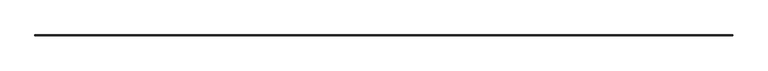
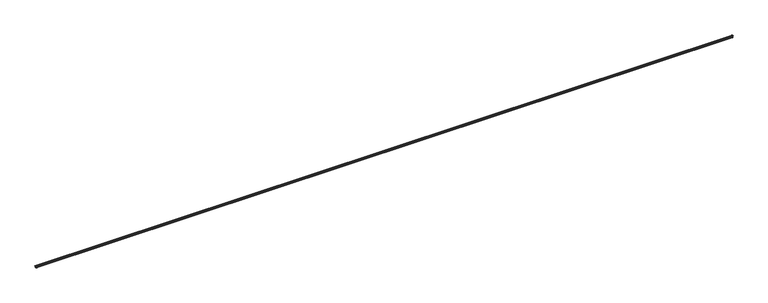
"""IFC4 building model written with IfcOpenShell, lengths in millimetres: railing geometry."""

from ifc_helpers import new_model, si_unit, frame, origin, place, context, project, spatial, polyline, circle_curve, ellipse_curve, source, transform, mapped, element, save
from ifc_brep_helpers import plane_surface, cylinder_surface, revolved_surface, advanced_brep


def railing_5c82f96b(model_context):
    return source(origin(), model_context, "Body", "AdvancedBrep", [
        advanced_brep(
        [(-23678.2517722, 72142.2584582, 685.5349128), (-23674.7019211, 72145.8083093, 685.5349128), (-42000.365335, 72145.8083093, 685.5349128), (-41996.815484, 72142.2584582, 685.5349128), (-23693.5336281, 72126.9766023, 710.1808702), (-23693.5336281, 72126.9766023, 711.1768476), (-41981.5336281, 72126.9766023, 711.1768476), (-41981.5336281, 72126.9766023, 710.1808702), (-23676.2603438, 72144.2498866, 670.2672725), (-41998.8069124, 72144.2498866, 670.2672725), (-23682.7265251, 72137.7837053, 654.1230643), (-23692.3914699, 72128.1187605, 654.1230643), (-41982.6757863, 72128.1187605, 654.1230643), (-41992.3407311, 72137.7837053, 654.1230643), (-23692.3914699, 72128.1187605, 655.1152518), (-41982.6757863, 72128.1187605, 655.1152518), (-23674.9748972, 72126.1828523, 708.5571916), (-23669.9443738, 72126.1828523, 701.3204656), (-23671.5568534, 72126.1828523, 700.888403), (-23672.9113269, 72126.1828523, 699.1232188), (-23672.9113269, 72126.1828523, 697.6085744), (-23679.2439597, 72126.1828523, 694.3480822), (-23679.2439597, 72126.1828523, 684.5427253), (-23676.7548142, 72126.1828523, 684.5427253), (-23677.1147743, 72126.1828523, 669.7627573), (-23682.8734847, 72126.1828523, 655.1152518), (-23692.3914699, 72126.1828523, 655.1152518), (-23692.3914699, 72126.1828523, 654.1230643), (-23682.7265251, 72126.1828523, 654.1230643), (-23676.2603438, 72126.1828523, 670.2672725), (-23674.7019211, 72126.1828523, 685.5349128), (-23678.2517722, 72126.1828523, 685.5349128), (-23678.2517722, 72126.1828523, 693.4458616), (-23671.9191394, 72126.1828523, 697.2774543), (-23671.9191394, 72126.1828523, 699.1232188), (-23671.3000564, 72126.1828523, 699.9300235), (-23669.16696, 72126.1828523, 700.5015849), (-23674.8884223, 72126.1828523, 709.5456035), (-23693.5336281, 72126.1828523, 711.1768476), (-23693.5336281, 72126.1828523, 710.1808702), (-42000.092359, 72126.1828523, 708.5571916), (-41981.5336281, 72126.1828523, 710.1808702), (-41981.5336281, 72126.1828523, 711.1768476), (-42000.1788338, 72126.1828523, 709.5456035), (-42005.9002961, 72126.1828523, 700.5015849), (-42003.7671998, 72126.1828523, 699.9300235), (-42003.1481168, 72126.1828523, 699.1232188), (-42003.1481168, 72126.1828523, 697.2774543), (-41996.815484, 72126.1828523, 693.4458616), (-41996.815484, 72126.1828523, 685.5349128), (-42000.365335, 72126.1828523, 685.5349128), (-41998.8069124, 72126.1828523, 670.2672725), (-41992.3407311, 72126.1828523, 654.1230643), (-41982.6757863, 72126.1828523, 654.1230643), (-41982.6757863, 72126.1828523, 655.1152518), (-41992.1937715, 72126.1828523, 655.1152518), (-41997.9524819, 72126.1828523, 669.7627573), (-41998.3124419, 72126.1828523, 684.5427253), (-41995.8232965, 72126.1828523, 684.5427253), (-41995.8232965, 72126.1828523, 694.3480822), (-42002.1559293, 72126.1828523, 697.6085744), (-42002.1559293, 72126.1828523, 699.1232188), (-42003.5104028, 72126.1828523, 700.888403), (-42005.1228823, 72126.1828523, 701.3204656), (-23669.9443738, 72150.5658565, 701.3204656), (-23674.9748972, 72145.5353332, 708.5571916), (-42000.092359, 72145.5353332, 708.5571916), (-42005.1228823, 72150.5658565, 701.3204656), (-23671.5568534, 72148.953377, 700.888403), (-42003.5104028, 72148.953377, 700.888403), (-23672.9113269, 72147.5989035, 699.1232188), (-42002.1559293, 72147.5989035, 699.1232188), (-23672.9113269, 72147.5989035, 697.6085744), (-42002.1559293, 72147.5989035, 697.6085744), (-23679.2439597, 72141.2662707, 694.3480822), (-41995.8232965, 72141.2662707, 694.3480822), (-23679.2439597, 72141.2662707, 684.5427253), (-41995.8232965, 72141.2662707, 684.5427253), (-23676.7548142, 72143.7554162, 684.5427253), (-41998.3124419, 72143.7554162, 684.5427253), (-23677.1147743, 72143.3954561, 669.7627573), (-41997.9524819, 72143.3954561, 669.7627573), (-23682.8734847, 72137.6367457, 655.1152518), (-41992.1937715, 72137.6367457, 655.1152518), (-23674.8884223, 72145.6218081, 709.5456035), (-42000.1788338, 72145.6218081, 709.5456035), (-23669.16696, 72151.3432704, 700.5015849), (-42005.9002961, 72151.3432704, 700.5015849), (-23671.3000564, 72149.210174, 699.9300235), (-42003.7671998, 72149.210174, 699.9300235), (-23671.9191394, 72148.591091, 699.1232188), (-42003.1481168, 72148.591091, 699.1232188), (-23671.9191394, 72148.591091, 697.2774543), (-42003.1481168, 72148.591091, 697.2774543), (-23678.2517722, 72142.2584582, 693.4458616), (-41996.815484, 72142.2584582, 693.4458616)],
        [
            (0, 1),
            (1, 2),
            (2, 3),
            (3, 0),
            (4, 5),
            (5, 6),
            (6, 7),
            (7, 4),
            (1, 8, ellipse_curve(frame((-23665.3966645, 72155.1135659, 676.8717349), z_axis=(0.7071067811865461, -0.7071067811865488, 0.0), x_axis=(-0.7071067811865489, -0.707106781186546, 0.0)), 17.9799028, 12.7137112)),
            (8, 9),
            (9, 2, ellipse_curve(frame((-42009.6705916, 72155.1135659, 676.8717349), z_axis=(-0.7071067811865488, -0.7071067811865461, 0.0), x_axis=(-0.7071067811865462, 0.7071067811865487, 0.0)), 17.9799028, 12.7137112)),
            (10, 11),
            (11, 12),
            (12, 13),
            (13, 10),
            (11, 14),
            (14, 15),
            (15, 12),
            (8, 10, ellipse_curve(frame((-23685.8658565, 72134.6443739, 664.7474915), z_axis=(-0.7071067811865461, 0.7071067811865488, 0.0), x_axis=(0.7071067811865489, 0.707106781186546, 0.0)), 15.6674092, 11.0785313)),
            (13, 9, ellipse_curve(frame((-41989.2013997, 72134.6443739, 664.7474915), z_axis=(0.7071067811865488, 0.7071067811865461, 0.0), x_axis=(0.7071067811865462, -0.7071067811865487, 0.0)), 15.6674092, 11.0785313)),
            (16, 17, circle_curve(frame((-23675.4748375, 72126.1828523, 702.842847), z_axis=(0.0, 1.0, 0.0), x_axis=(0.08715574274768606, 0.0, 0.9961946980917431)), 5.7361724)),
            (17, 18),
            (18, 19, circle_curve(frame((-23671.0838737, 72126.1828523, 699.1232188), z_axis=(0.0, -1.0, 0.0), x_axis=(-0.2588190451028625, 0.0, 0.9659258262889768)), 1.8274532)),
            (19, 20),
            (20, 21, circle_curve(frame((-23679.6119884, 72126.1828523, 702.842847), z_axis=(0.0, 1.0, 0.0), x_axis=(0.7880597014924041, 0.0, -0.6155988197549626)), 8.5027334)),
            (21, 22),
            (22, 23),
            (23, 24, circle_curve(frame((-23665.3966645, 72126.1828523, 676.8717349), z_axis=(0.0, -1.0, 0.0), x_axis=(-0.8287052149767611, 0.0, 0.5596853282607294)), 13.7058987)),
            (24, 25, circle_curve(frame((-23685.8658565, 72126.1828523, 664.7474915), z_axis=(0.0, 1.0, 0.0), x_axis=(0.8676168883013119, 0.0, 0.49723328039698717)), 10.0863438)),
            (25, 26),
            (26, 27),
            (27, 28),
            (28, 29, circle_curve(frame((-23685.8658565, 72126.1828523, 664.7474915), z_axis=(0.0, -1.0, 0.0), x_axis=(0.8676168883013119, 0.0, 0.49723328039698717)), 11.0785313)),
            (29, 30, circle_curve(frame((-23665.3966645, 72126.1828523, 676.8717349), z_axis=(0.0, 1.0, 0.0), x_axis=(-0.8287052149767611, 0.0, 0.5596853282607294)), 12.7137112)),
            (30, 31),
            (31, 32),
            (32, 33, circle_curve(frame((-23679.6119884, 72126.1828523, 702.842847), z_axis=(0.0, -1.0, 0.0), x_axis=(0.7880597014924041, 0.0, -0.6155988197549626)), 9.4949209)),
            (33, 34),
            (34, 35, circle_curve(frame((-23671.0838737, 72126.1828523, 699.1232188), z_axis=(0.0, 1.0, 0.0), x_axis=(-0.2588190451028625, 0.0, 0.9659258262889768)), 0.8352657)),
            (35, 36),
            (36, 37, circle_curve(frame((-23675.4748375, 72126.1828523, 702.842847), z_axis=(0.0, -1.0, 0.0), x_axis=(0.08715574274768606, 0.0, 0.9961946980917431)), 6.7283599)),
            (37, 38),
            (38, 39),
            (39, 16),
            (40, 41),
            (41, 42),
            (42, 43),
            (43, 44, circle_curve(frame((-41999.5924186, 72126.1828523, 702.842847), z_axis=(0.0, -1.0, 0.0), x_axis=(-0.08715574274768606, 0.0, 0.9961946980917431)), 6.7283599)),
            (44, 45),
            (45, 46, circle_curve(frame((-42003.9833825, 72126.1828523, 699.1232188), z_axis=(0.0, 1.0, 0.0), x_axis=(0.2588190451028625, 0.0, 0.9659258262889768)), 0.8352657)),
            (46, 47),
            (47, 48, circle_curve(frame((-41995.4552677, 72126.1828523, 702.842847), z_axis=(0.0, -1.0, 0.0), x_axis=(-0.7880597014924041, 0.0, -0.6155988197549626)), 9.4949209)),
            (48, 49),
            (49, 50),
            (50, 51, circle_curve(frame((-42009.6705916, 72126.1828523, 676.8717349), z_axis=(0.0, 1.0, 0.0), x_axis=(0.8287052149767611, 0.0, 0.5596853282607294)), 12.7137112)),
            (51, 52, circle_curve(frame((-41989.2013997, 72126.1828523, 664.7474915), z_axis=(0.0, -1.0, 0.0), x_axis=(-0.8676168883013119, 0.0, 0.49723328039698717)), 11.0785313)),
            (52, 53),
            (53, 54),
            (54, 55),
            (55, 56, circle_curve(frame((-41989.2013997, 72126.1828523, 664.7474915), z_axis=(0.0, 1.0, 0.0), x_axis=(-0.8676168883013119, 0.0, 0.49723328039698717)), 10.0863438)),
            (56, 57, circle_curve(frame((-42009.6705916, 72126.1828523, 676.8717349), z_axis=(0.0, -1.0, 0.0), x_axis=(0.8287052149767611, 0.0, 0.5596853282607294)), 13.7058987)),
            (57, 58),
            (58, 59),
            (59, 60, circle_curve(frame((-41995.4552677, 72126.1828523, 702.842847), z_axis=(0.0, 1.0, 0.0), x_axis=(-0.7880597014924041, 0.0, -0.6155988197549626)), 8.5027334)),
            (60, 61),
            (61, 62, circle_curve(frame((-42003.9833825, 72126.1828523, 699.1232188), z_axis=(0.0, -1.0, 0.0), x_axis=(0.2588190451028625, 0.0, 0.9659258262889768)), 1.8274532)),
            (62, 63),
            (63, 40, circle_curve(frame((-41999.5924186, 72126.1828523, 702.842847), z_axis=(0.0, 1.0, 0.0), x_axis=(-0.08715574274768606, 0.0, 0.9961946980917431)), 5.7361724)),
            (64, 65, ellipse_curve(frame((-23675.4748375, 72145.0353929, 702.842847), z_axis=(0.7071067811865461, -0.7071067811865488, 0.0), x_axis=(-0.7071067811865489, -0.707106781186546, 0.0)), 8.1121728, 5.7361724)),
            (65, 66),
            (66, 67, ellipse_curve(frame((-41999.5924186, 72145.0353929, 702.842847), z_axis=(-0.7071067811865488, -0.7071067811865461, 0.0), x_axis=(-0.7071067811865462, 0.7071067811865487, 0.0)), 8.1121728, 5.7361724)),
            (67, 64),
            (68, 64),
            (67, 69),
            (69, 68),
            (70, 68, ellipse_curve(frame((-23671.0838737, 72149.4263567, 699.1232188), z_axis=(-0.7071067811865461, 0.7071067811865488, 0.0), x_axis=(0.7071067811865489, 0.707106781186546, 0.0)), 2.584409, 1.8274532)),
            (69, 71, ellipse_curve(frame((-42003.9833825, 72149.4263567, 699.1232188), z_axis=(0.7071067811865488, 0.7071067811865461, 0.0), x_axis=(0.7071067811865462, -0.7071067811865487, 0.0)), 2.584409, 1.8274532)),
            (71, 70),
            (72, 70),
            (71, 73),
            (73, 72),
            (74, 72, ellipse_curve(frame((-23679.6119884, 72140.898242, 702.842847), z_axis=(0.7071067811865461, -0.7071067811865488, 0.0), x_axis=(-0.7071067811865489, -0.707106781186546, 0.0)), 12.0246809, 8.5027334)),
            (73, 75, ellipse_curve(frame((-41995.4552677, 72140.898242, 702.842847), z_axis=(-0.7071067811865488, -0.7071067811865461, 0.0), x_axis=(-0.7071067811865462, 0.7071067811865487, 0.0)), 12.0246809, 8.5027334)),
            (75, 74),
            (76, 74),
            (75, 77),
            (77, 76),
            (78, 76),
            (77, 79),
            (79, 78),
            (80, 78, ellipse_curve(frame((-23665.3966645, 72155.1135659, 676.8717349), z_axis=(-0.7071067811865461, 0.7071067811865488, 0.0), x_axis=(0.7071067811865489, 0.707106781186546, 0.0)), 19.3830678, 13.7058987)),
            (79, 81, ellipse_curve(frame((-42009.6705916, 72155.1135659, 676.8717349), z_axis=(0.7071067811865488, 0.7071067811865461, 0.0), x_axis=(0.7071067811865462, -0.7071067811865487, 0.0)), 19.3830678, 13.7058987)),
            (81, 80),
            (82, 80, ellipse_curve(frame((-23685.8658565, 72134.6443739, 664.7474915), z_axis=(0.7071067811865461, -0.7071067811865488, 0.0), x_axis=(-0.7071067811865489, -0.707106781186546, 0.0)), 14.2642442, 10.0863438)),
            (81, 83, ellipse_curve(frame((-41989.2013997, 72134.6443739, 664.7474915), z_axis=(-0.7071067811865488, -0.7071067811865461, 0.0), x_axis=(-0.7071067811865462, 0.7071067811865487, 0.0)), 14.2642442, 10.0863438)),
            (83, 82),
            (14, 82),
            (83, 15),
            (5, 84),
            (84, 85),
            (85, 6),
            (84, 86, ellipse_curve(frame((-23675.4748375, 72145.0353929, 702.842847), z_axis=(-0.7071067811865461, 0.7071067811865488, 0.0), x_axis=(0.7071067811865489, 0.707106781186546, 0.0)), 9.5153378, 6.7283599)),
            (86, 87),
            (87, 85, ellipse_curve(frame((-41999.5924186, 72145.0353929, 702.842847), z_axis=(0.7071067811865488, 0.7071067811865461, 0.0), x_axis=(0.7071067811865462, -0.7071067811865487, 0.0)), 9.5153378, 6.7283599)),
            (86, 88),
            (88, 89),
            (89, 87),
            (88, 90, ellipse_curve(frame((-23671.0838737, 72149.4263567, 699.1232188), z_axis=(0.7071067811865461, -0.7071067811865488, 0.0), x_axis=(-0.7071067811865489, -0.707106781186546, 0.0)), 1.181244, 0.8352657)),
            (90, 91),
            (91, 89, ellipse_curve(frame((-42003.9833825, 72149.4263567, 699.1232188), z_axis=(-0.7071067811865488, -0.7071067811865461, 0.0), x_axis=(-0.7071067811865462, 0.7071067811865487, 0.0)), 1.181244, 0.8352657)),
            (90, 92),
            (92, 93),
            (93, 91),
            (92, 94, ellipse_curve(frame((-23679.6119884, 72140.898242, 702.842847), z_axis=(-0.7071067811865461, 0.7071067811865488, 0.0), x_axis=(0.7071067811865489, 0.707106781186546, 0.0)), 13.427846, 9.4949209)),
            (94, 95),
            (95, 93, ellipse_curve(frame((-41995.4552677, 72140.898242, 702.842847), z_axis=(0.7071067811865488, 0.7071067811865461, 0.0), x_axis=(0.7071067811865462, -0.7071067811865487, 0.0)), 13.427846, 9.4949209)),
            (94, 0),
            (3, 95),
            (65, 4),
            (7, 66),
            (39, 4),
            (65, 16),
            (25, 82),
            (14, 26),
            (24, 80),
            (23, 78),
            (22, 76),
            (21, 74),
            (20, 72),
            (19, 70),
            (18, 68),
            (17, 64),
            (7, 41),
            (40, 66),
            (83, 55),
            (54, 15),
            (81, 56),
            (79, 57),
            (77, 58),
            (75, 59),
            (73, 60),
            (71, 61),
            (69, 62),
            (67, 63),
            (35, 88),
            (86, 36),
            (84, 37),
            (5, 38),
            (34, 90),
            (89, 45),
            (44, 87),
            (43, 85),
            (42, 6),
            (91, 46),
            (29, 8),
            (1, 30),
            (0, 31),
            (94, 32),
            (92, 33),
            (28, 10),
            (9, 51),
            (50, 2),
            (49, 3),
            (48, 95),
            (47, 93),
            (13, 52),
            (27, 11),
            (12, 53),
        ],
        [
            plane_surface(frame((-23674.7019211, 72145.8083093, 685.5349128), z_axis=(0.0, 0.0, 1.0), x_axis=(-1.0, 0.0, 0.0))),
            plane_surface(frame((-23693.5336281, 72126.9766023, 711.1768476), z_axis=(0.0, -1.0, 0.0), x_axis=(-1.0, 0.0, 0.0))),
            revolved_surface(polyline([(-42022.38430279496, 72144.57764712685, 683.9874125263841), (-23652.682953305044, 72144.57764712685, 683.9874125263841)]), (-23693.5336281, 72155.1135659, 676.8717349), (-1.0000000000000002, 0.0, 0.0)),
            plane_surface(frame((-23692.3914699, 72128.1187605, 654.1230643), z_axis=(0.0, 0.0, -1.0), x_axis=(-1.0, 0.0, 0.0))),
            plane_surface(frame((-23692.3914699, 72128.1187605, 655.1152518), z_axis=(0.0, -1.0, 0.0), x_axis=(-1.0, 0.0, 0.0))),
            cylinder_surface(frame((-23693.5336281, 72134.6443739, 664.7474915), z_axis=(1.0, 0.0, 0.0), x_axis=(0.0, 0.8676168883013119, 0.49723328039698717)), 11.0785313),
            plane_surface(frame((-23693.5336281, 72126.1828523, 711.2), z_axis=(0.0, -1.0, 0.0), x_axis=(0.0, 0.0, 1.0))),
            plane_surface(frame((-41981.5336281, 72126.1828523, 711.2), z_axis=(0.0, -1.0, 0.0), x_axis=(0.0, 0.0, -1.0))),
            revolved_surface(polyline([(-42005.32859099703, 72145.53533326605, 708.5571915322201), (-23669.738665102966, 72145.53533326605, 708.5571915322201)]), (-23693.5336281, 72145.0353929, 702.842847), (-1.0, 0.0, 0.0)),
            plane_surface(frame((-23669.9443738, 72150.5658565, 701.3204656), z_axis=(0.0, -0.25881904510280146, 0.965925826288993), x_axis=(-1.0, 0.0, 0.0))),
            cylinder_surface(frame((-23693.5336281, 72149.4263567, 699.1232188), z_axis=(1.0000000000000002, 0.0, 0.0), x_axis=(0.0, -0.2588190451028625, 0.9659258262889768)), 1.8274532),
            plane_surface(frame((-23672.9113269, 72147.5989035, 699.1232188), z_axis=(0.0, -1.0, 0.0), x_axis=(-1.0, 0.0, 0.0))),
            revolved_surface(polyline([(-42003.958001106, 72147.59890354506, 697.6085743542689), (-23671.109254994004, 72147.59890354506, 697.6085743542689)]), (-23693.5336281, 72140.898242, 702.842847), (-1.0, 0.0, 0.0)),
            plane_surface(frame((-23679.2439597, 72141.2662707, 694.3480822), z_axis=(0.0, -1.0, 0.0), x_axis=(-1.0, 0.0, 0.0))),
            plane_surface(frame((-23679.2439597, 72141.2662707, 684.5427253), z_axis=(0.0, 0.0, -1.0), x_axis=(-1.0, 0.0, 0.0))),
            cylinder_surface(frame((-23693.5336281, 72155.1135659, 676.8717349), z_axis=(1.0000000000000002, 0.0, 0.0), x_axis=(0.0, -0.8287052149767611, 0.5596853282607294)), 13.7058987),
            revolved_surface(polyline([(-41999.287743502326, 72143.39545612209, 669.7627573148858), (-23675.779512697678, 72143.39545612209, 669.7627573148858)]), (-23693.5336281, 72134.6443739, 664.7474915), (-1.0, 0.0, 0.0)),
            plane_surface(frame((-23682.8734847, 72137.6367457, 655.1152518), z_axis=(0.0, 0.0, 1.0), x_axis=(-1.0, 0.0, 0.0))),
            plane_surface(frame((-23674.8884223, 72145.6218081, 709.5456035), z_axis=(0.0, 0.08715574274767642, 0.996194698091744), x_axis=(-1.0, 0.0, 0.0))),
            cylinder_surface(frame((-23693.5336281, 72145.0353929, 702.842847), z_axis=(1.0, 0.0, 0.0), x_axis=(0.0, 0.08715574274768606, 0.9961946980917431)), 6.7283599),
            plane_surface(frame((-23671.3000564, 72149.210174, 699.9300235), z_axis=(0.0, 0.25881904510280174, -0.965925826288993), x_axis=(-1.0, 0.0, 0.0))),
            revolved_surface(polyline([(-42004.818648142646, 72149.21017402913, 699.9300235114433), (-23670.248608057365, 72149.21017402913, 699.9300235114433)]), (-23693.5336281, 72149.4263567, 699.1232188), (-1.0000000000000002, 0.0, 0.0)),
            plane_surface(frame((-23671.9191394, 72148.591091, 697.2774543), z_axis=(0.0, 1.0, 0.0), x_axis=(-1.0, 0.0, 0.0))),
            cylinder_surface(frame((-23693.5336281, 72140.898242, 702.842847), z_axis=(1.0, 0.0, 0.0), x_axis=(0.0, 0.7880597014924041, -0.6155988197549626)), 9.4949209),
            plane_surface(frame((-23678.2517722, 72142.2584582, 685.5349128), z_axis=(0.0, 1.0, 0.0), x_axis=(-1.0, 0.0, 0.0))),
            plane_surface(frame((-23693.5336281, 72126.9766023, 710.1808702), z_axis=(0.0, -0.0871557427476764, -0.996194698091744), x_axis=(-1.0, 0.0, 0.0))),
            plane_surface(frame((-23693.5336281, 72126.1828523, 710.1808702), z_axis=(-0.0871557427476764, 0.0, -0.996194698091744), x_axis=(0.0, 1.0, 0.0))),
            plane_surface(frame((-23682.8734847, 72126.1828523, 655.1152518), z_axis=(0.0, 0.0, 1.0), x_axis=(0.0, 1.0, 0.0))),
            revolved_surface(polyline([(-23677.114774277907, 72144.73071770232, 669.7627573148858), (-23677.114774277907, 72124.55803009767, 669.7627573148858)]), (-23685.8658565, 72126.1828523, 664.7474915), (0.0, 1.0, 0.0)),
            cylinder_surface(frame((-23665.3966645, 72126.1828523, 676.8717349), z_axis=(0.0, -1.0000000000000002, 0.0), x_axis=(-0.8287052149767611, 0.0, 0.5596853282607294)), 13.7058987),
            plane_surface(frame((-23679.2439597, 72126.1828523, 684.5427253), z_axis=(0.0, 0.0, -1.0), x_axis=(0.0, 1.0, 0.0))),
            plane_surface(frame((-23679.2439597, 72126.1828523, 694.3480822), z_axis=(-1.0, 0.0, 0.0), x_axis=(0.0, 1.0, 0.0))),
            revolved_surface(polyline([(-23672.911326854926, 72149.400975406, 697.6085743542689), (-23672.911326854926, 72126.1828523, 697.6085743542689)]), (-23679.6119884, 72126.1828523, 702.842847), (0.0, 1.0, 0.0)),
            plane_surface(frame((-23672.9113269, 72126.1828523, 699.1232188), z_axis=(-1.0, 0.0, 0.0), x_axis=(0.0, 1.0, 0.0))),
            cylinder_surface(frame((-23671.0838737, 72126.1828523, 699.1232188), z_axis=(0.0, -1.0000000000000002, 0.0), x_axis=(-0.2588190451028625, 0.0, 0.9659258262889768)), 1.8274532),
            plane_surface(frame((-23669.9443738, 72126.1828523, 701.3204656), z_axis=(-0.25881904510280146, 0.0, 0.965925826288993), x_axis=(0.0, 1.0, 0.0))),
            revolved_surface(polyline([(-23674.97489713395, 72150.77156529704, 708.5571915322201), (-23674.97489713395, 72126.1828523, 708.5571915322201)]), (-23675.4748375, 72126.1828523, 702.842847), (0.0, 1.0, 0.0)),
            plane_surface(frame((-41981.5336281, 72126.9766023, 710.1808702), z_axis=(0.0871557427476764, 0.0, -0.996194698091744), x_axis=(0.0, -1.0, 0.0))),
            plane_surface(frame((-41992.1937715, 72137.6367457, 655.1152518), z_axis=(0.0, 0.0, 1.0), x_axis=(0.0, -1.0, 0.0))),
            revolved_surface(polyline([(-41997.9524819221, 72124.55803009767, 669.7627573148858), (-41997.9524819221, 72144.73071770232, 669.7627573148858)]), (-41989.2013997, 72126.9766023, 664.7474915), (0.0, -1.0, 0.0)),
            cylinder_surface(frame((-42009.6705916, 72126.9766023, 676.8717349), z_axis=(0.0, 1.0000000000000002, 0.0), x_axis=(0.8287052149767611, 0.0, 0.5596853282607294)), 13.7058987),
            plane_surface(frame((-41995.8232965, 72141.2662707, 684.5427253), z_axis=(0.0, 0.0, -1.0), x_axis=(0.0, -1.0, 0.0))),
            plane_surface(frame((-41995.8232965, 72141.2662707, 694.3480822), z_axis=(1.0, 0.0, 0.0), x_axis=(0.0, -1.0, 0.0))),
            revolved_surface(polyline([(-42002.15592924508, 72126.1828523, 697.6085743542689), (-42002.15592924508, 72149.400975406, 697.6085743542689)]), (-41995.4552677, 72126.9766023, 702.842847), (0.0, -1.0, 0.0)),
            plane_surface(frame((-42002.1559293, 72147.5989035, 699.1232188), z_axis=(1.0, 0.0, 0.0), x_axis=(0.0, -1.0, 0.0))),
            cylinder_surface(frame((-42003.9833825, 72126.9766023, 699.1232188), z_axis=(0.0, 1.0000000000000002, 0.0), x_axis=(0.2588190451028625, 0.0, 0.9659258262889768)), 1.8274532),
            plane_surface(frame((-42005.1228823, 72150.5658565, 701.3204656), z_axis=(0.25881904510280146, 0.0, 0.965925826288993), x_axis=(0.0, -1.0, 0.0))),
            revolved_surface(polyline([(-42000.092358966045, 72126.1828523, 708.5571915322201), (-42000.092358966045, 72150.77156529704, 708.5571915322201)]), (-41999.5924186, 72126.9766023, 702.842847), (0.0, -1.0, 0.0)),
            plane_surface(frame((-23671.3000564, 72126.1828523, 699.9300235), z_axis=(0.25881904510280174, 0.0, -0.965925826288993), x_axis=(0.0, 1.0, 0.0))),
            cylinder_surface(frame((-23675.4748375, 72126.1828523, 702.842847), z_axis=(0.0, -1.0, 0.0), x_axis=(0.08715574274768606, 0.0, 0.9961946980917431)), 6.7283599),
            plane_surface(frame((-23674.8884223, 72126.1828523, 709.5456035), z_axis=(0.08715574274767642, 0.0, 0.996194698091744), x_axis=(0.0, 1.0, 0.0))),
            revolved_surface(polyline([(-23671.30005637088, 72150.26162234263, 699.9300235114433), (-23671.30005637088, 72126.1828523, 699.9300235114433)]), (-23671.0838737, 72126.1828523, 699.1232188), (0.0, 1.0000000000000002, 0.0)),
            plane_surface(frame((-42003.7671998, 72149.210174, 699.9300235), z_axis=(-0.25881904510280174, 0.0, -0.965925826288993), x_axis=(0.0, -1.0, 0.0))),
            cylinder_surface(frame((-41999.5924186, 72126.9766023, 702.842847), z_axis=(0.0, 1.0, 0.0), x_axis=(-0.08715574274768606, 0.0, 0.9961946980917431)), 6.7283599),
            plane_surface(frame((-42000.1788338, 72145.6218081, 709.5456035), z_axis=(-0.08715574274767642, 0.0, 0.996194698091744), x_axis=(0.0, -1.0, 0.0))),
            revolved_surface(polyline([(-42003.76719982912, 72126.1828523, 699.9300235114433), (-42003.76719982912, 72150.26162234263, 699.9300235114433)]), (-42003.9833825, 72126.9766023, 699.1232188), (0.0, -1.0000000000000002, 0.0)),
            revolved_surface(polyline([(-23675.93258327315, 72167.82727709496, 683.9874125263841), (-23675.93258327315, 72126.1828523, 683.9874125263841)]), (-23665.3966645, 72126.1828523, 676.8717349), (0.0, 1.0000000000000002, 0.0)),
            plane_surface(frame((-23674.7019211, 72126.1828523, 685.5349128), z_axis=(0.0, 0.0, 1.0), x_axis=(0.0, 1.0, 0.0))),
            plane_surface(frame((-23678.2517722, 72126.1828523, 685.5349128), z_axis=(1.0, 0.0, 0.0), x_axis=(0.0, 1.0, 0.0))),
            cylinder_surface(frame((-23679.6119884, 72126.1828523, 702.842847), z_axis=(0.0, -1.0, 0.0), x_axis=(0.7880597014924041, 0.0, -0.6155988197549626)), 9.4949209),
            plane_surface(frame((-23671.9191394, 72126.1828523, 697.2774543), z_axis=(1.0, 0.0, 0.0), x_axis=(0.0, 1.0, 0.0))),
            cylinder_surface(frame((-23685.8658565, 72126.1828523, 664.7474915), z_axis=(0.0, -1.0, 0.0), x_axis=(0.8676168883013119, 0.0, 0.49723328039698717)), 11.0785313),
            revolved_surface(polyline([(-41999.13467282685, 72126.1828523, 683.9874125263841), (-41999.13467282685, 72167.82727709496, 683.9874125263841)]), (-42009.6705916, 72126.9766023, 676.8717349), (0.0, -1.0000000000000002, 0.0)),
            plane_surface(frame((-42000.365335, 72145.8083093, 685.5349128), z_axis=(0.0, 0.0, 1.0), x_axis=(0.0, -1.0, 0.0))),
            plane_surface(frame((-41996.815484, 72142.2584582, 685.5349128), z_axis=(-1.0, 0.0, 0.0), x_axis=(0.0, -1.0, 0.0))),
            cylinder_surface(frame((-41995.4552677, 72126.9766023, 702.842847), z_axis=(0.0, 1.0, 0.0), x_axis=(-0.7880597014924041, 0.0, -0.6155988197549626)), 9.4949209),
            plane_surface(frame((-42003.1481168, 72148.591091, 697.2774543), z_axis=(-1.0, 0.0, 0.0), x_axis=(0.0, -1.0, 0.0))),
            cylinder_surface(frame((-41989.2013997, 72126.9766023, 664.7474915), z_axis=(0.0, 1.0, 0.0), x_axis=(-0.8676168883013119, 0.0, 0.49723328039698717)), 11.0785313),
            plane_surface(frame((-23692.3914699, 72126.1828523, 654.1230643), z_axis=(0.0, 0.0, -1.0), x_axis=(2.2374348473631563e-12, 1.0, 0.0))),
            plane_surface(frame((-41982.6757863, 72128.1187605, 654.1230643), z_axis=(0.0, 0.0, -1.0), x_axis=(0.0, -1.0, 0.0))),
            plane_surface(frame((-23692.3914699, 72126.1828523, 655.1152518), z_axis=(-1.0, 2.2374348473631563e-12, 0.0), x_axis=(2.2374348473631563e-12, 1.0, 0.0))),
            plane_surface(frame((-23693.5336281, 72126.1828523, 711.1768476), z_axis=(-1.0, 0.0, 0.0), x_axis=(0.0, 1.0, 0.0))),
            plane_surface(frame((-41982.6757863, 72128.1187605, 655.1152518), z_axis=(1.0, 0.0, 0.0), x_axis=(0.0, -1.0, 0.0))),
            plane_surface(frame((-41981.5336281, 72126.9766023, 711.1768476), z_axis=(1.0, 0.0, 0.0), x_axis=(0.0, -1.0, 0.0))),
        ],
        [
            (0, [[1, 2, 3, 4]]),
            (1, [[5, 6, 7, 8]]),
            (2, [[9, 10, 11, -2]]),
            (3, [[12, 13, 14, 15]]),
            (4, [[16, 17, 18, -13]]),
            (5, [[19, -15, 20, -10]]),
            (6, [[21, 22, 23, 24, 25, 26, 27, 28, 29, 30, 31, 32, 33, 34, 35, 36, 37, 38, 39, 40, 41, 42, 43, 44]]),
            (7, [[45, 46, 47, 48, 49, 50, 51, 52, 53, 54, 55, 56, 57, 58, 59, 60, 61, 62, 63, 64, 65, 66, 67, 68]]),
            (8, [[69, 70, 71, 72]]),
            (9, [[73, -72, 74, 75]]),
            (10, [[76, -75, 77, 78]]),
            (11, [[79, -78, 80, 81]]),
            (12, [[82, -81, 83, 84]]),
            (13, [[85, -84, 86, 87]]),
            (14, [[88, -87, 89, 90]]),
            (15, [[91, -90, 92, 93]]),
            (16, [[94, -93, 95, 96]]),
            (17, [[97, -96, 98, -17]]),
            (18, [[99, 100, 101, -6]]),
            (19, [[102, 103, 104, -100]]),
            (20, [[105, 106, 107, -103]]),
            (21, [[108, 109, 110, -106]]),
            (22, [[111, 112, 113, -109]]),
            (23, [[114, 115, 116, -112]]),
            (24, [[117, -4, 118, -115]]),
            (25, [[119, -8, 120, -70]]),
            (26, [[-44, 121, -119, 122]]),
            (27, [[-30, 123, -97, 124]]),
            (28, [[-29, 125, -94, -123]]),
            (29, [[-28, 126, -91, -125]]),
            (30, [[-27, 127, -88, -126]]),
            (31, [[-26, 128, -85, -127]]),
            (32, [[-25, 129, -82, -128]]),
            (33, [[-24, 130, -79, -129]]),
            (34, [[-23, 131, -76, -130]]),
            (35, [[-22, 132, -73, -131]]),
            (36, [[-21, -122, -69, -132]]),
            (37, [[-120, 133, -45, 134]]),
            (38, [[-98, 135, -59, 136]]),
            (39, [[-95, 137, -60, -135]]),
            (40, [[-92, 138, -61, -137]]),
            (41, [[-89, 139, -62, -138]]),
            (42, [[-86, 140, -63, -139]]),
            (43, [[-83, 141, -64, -140]]),
            (44, [[-80, 142, -65, -141]]),
            (45, [[-77, 143, -66, -142]]),
            (46, [[-74, 144, -67, -143]]),
            (47, [[-71, -134, -68, -144]]),
            (48, [[-40, 145, -105, 146]]),
            (49, [[-41, -146, -102, 147]]),
            (50, [[-42, -147, -99, 148]]),
            (51, [[-39, 149, -108, -145]]),
            (52, [[-107, 150, -49, 151]]),
            (53, [[-104, -151, -48, 152]]),
            (54, [[-101, -152, -47, 153]]),
            (55, [[-110, 154, -50, -150]]),
            (56, [[-34, 155, -9, 156]]),
            (57, [[-35, -156, -1, 157]]),
            (58, [[-36, -157, -117, 158]]),
            (59, [[-37, -158, -114, 159]]),
            (60, [[-38, -159, -111, -149]]),
            (61, [[-33, 160, -19, -155]]),
            (62, [[-11, 161, -55, 162]]),
            (63, [[-3, -162, -54, 163]]),
            (64, [[-118, -163, -53, 164]]),
            (65, [[-116, -164, -52, 165]]),
            (66, [[-113, -165, -51, -154]]),
            (67, [[-20, 166, -56, -161]]),
            (68, [[-32, 167, -12, -160]]),
            (69, [[-14, 168, -57, -166]]),
            (70, [[-31, -124, -16, -167]]),
            (71, [[-43, -148, -5, -121]]),
            (72, [[-18, -136, -58, -168]]),
            (73, [[-7, -153, -46, -133]]),
        ],
    ),
        advanced_brep(
        [(-23678.2287079, 72142.2815225, 692.6646086), (-23678.2287079, 72142.2815225, 686.3192851), (-41996.8385483, 72142.2815225, 686.3192851), (-41996.8385483, 72142.2815225, 692.6646086), (-23678.2287079, 72126.1828523, 686.3192851), (-23678.2287079, 72126.1828523, 692.6646086), (-41996.8385483, 72126.1828523, 686.3192851), (-41996.8385483, 72126.1828523, 692.6646086)],
        [
            (0, 1, ellipse_curve(frame((-23678.2287079, 72142.2815225, 689.4919469), z_axis=(-0.7071067811865461, 0.7071067811865488, 0.0), x_axis=(0.7071067811865489, 0.707106781186546, 0.0)), 4.4868212, 3.1726617)),
            (1, 2),
            (2, 3, ellipse_curve(frame((-41996.8385483, 72142.2815225, 689.4919469), z_axis=(0.7071067811865488, 0.7071067811865461, 0.0), x_axis=(0.7071067811865462, -0.7071067811865487, 0.0)), 4.4868212, 3.1726617)),
            (3, 0),
            (1, 0),
            (3, 2),
            (4, 5, circle_curve(frame((-23678.2287079, 72126.1828523, 689.4919469), z_axis=(0.0, -1.0, 0.0), x_axis=(0.0, 0.0, 1.0)), 3.1726617)),
            (5, 4),
            (6, 7),
            (7, 6, circle_curve(frame((-41996.8385483, 72126.1828523, 689.4919469), z_axis=(0.0, -1.0, 0.0), x_axis=(0.0, 0.0, 1.0)), 3.1726617)),
            (5, 0),
            (1, 4),
            (3, 7),
            (6, 2),
        ],
        [
            cylinder_surface(frame((-23693.5336281, 72142.2815225, 689.4919469), z_axis=(1.0, 0.0, 0.0), x_axis=(0.0, 0.0, 1.0)), 3.1726617),
            plane_surface(frame((-23678.2287079, 72142.2815225, 692.6646086), z_axis=(0.0, -1.0, 0.0), x_axis=(-1.0, 0.0, 0.0))),
            plane_surface(frame((-23693.5336281, 72126.1828523, 711.2), z_axis=(0.0, -1.0, 0.0), x_axis=(0.0, 0.0, 1.0))),
            plane_surface(frame((-41981.5336281, 72126.1828523, 711.2), z_axis=(0.0, -1.0, 0.0), x_axis=(0.0, 0.0, -1.0))),
            plane_surface(frame((-23678.2287079, 72126.1828523, 692.6646086), z_axis=(-1.0, 0.0, 0.0), x_axis=(0.0, 1.0, 0.0))),
            plane_surface(frame((-41996.8385483, 72142.2815225, 692.6646086), z_axis=(1.0, 0.0, 0.0), x_axis=(0.0, -1.0, 0.0))),
            cylinder_surface(frame((-23678.2287079, 72126.1828523, 689.4919469), z_axis=(0.0, -1.0, 0.0), x_axis=(0.0, 0.0, 1.0)), 3.1726617),
            cylinder_surface(frame((-41996.8385483, 72126.9766023, 689.4919469), z_axis=(0.0, 1.0, 0.0), x_axis=(0.0, 0.0, 1.0)), 3.1726617),
        ],
        [
            (0, [[1, 2, 3, 4]]),
            (1, [[5, -4, 6, -2]]),
            (2, [[7, 8]]),
            (3, [[9, 10]]),
            (4, [[-8, 11, -5, 12]]),
            (5, [[-6, 13, -9, 14]]),
            (6, [[-7, -12, -1, -11]]),
            (7, [[-3, -14, -10, -13]]),
        ],
    ),
        advanced_brep(
        [(-23672.9113269, 72147.5989035, 699.1232188), (-23672.9113269, 72147.5989035, 697.6085744), (-42002.1559293, 72147.5989035, 697.6085744), (-42002.1559293, 72147.5989035, 699.1232188), (-23679.2439597, 72141.2662707, 694.3480822), (-41995.8232965, 72141.2662707, 694.3480822), (-23679.2439597, 72141.2662707, 684.5427253), (-41995.8232965, 72141.2662707, 684.5427253), (-23676.7548142, 72143.7554162, 684.5427253), (-41998.3124419, 72143.7554162, 684.5427253), (-23674.9748972, 72126.1828523, 708.5571916), (-23693.5336281, 72126.1828523, 710.1808702), (-23693.5336281, 72126.1828523, 684.551658), (-23689.5678009, 72126.1828523, 684.551658), (-23689.5678009, 72126.1828523, 680.7444639), (-23693.5336281, 72126.1828523, 680.7444639), (-23693.5336281, 72126.1828523, 661.4605752), (-23692.3914699, 72126.1828523, 661.4605752), (-23692.3914699, 72126.1828523, 655.1152518), (-23682.8734847, 72126.1828523, 655.1152518), (-23677.1147743, 72126.1828523, 669.7627573), (-23676.7548142, 72126.1828523, 684.5427253), (-23679.2439597, 72126.1828523, 684.5427253), (-23679.2439597, 72126.1828523, 694.3480822), (-23672.9113269, 72126.1828523, 697.6085744), (-23672.9113269, 72126.1828523, 699.1232188), (-23671.5568534, 72126.1828523, 700.888403), (-23669.9443738, 72126.1828523, 701.3204656), (-42000.092359, 72126.1828523, 708.5571916), (-42005.1228823, 72126.1828523, 701.3204656), (-42003.5104028, 72126.1828523, 700.888403), (-42002.1559293, 72126.1828523, 699.1232188), (-42002.1559293, 72126.1828523, 697.6085744), (-41995.8232965, 72126.1828523, 694.3480822), (-41995.8232965, 72126.1828523, 684.5427253), (-41998.3124419, 72126.1828523, 684.5427253), (-41997.9524819, 72126.1828523, 669.7627573), (-41992.1937715, 72126.1828523, 655.1152518), (-41982.6757863, 72126.1828523, 655.1152518), (-41982.6757863, 72126.1828523, 661.4605752), (-41981.5336281, 72126.1828523, 661.4605752), (-41981.5336281, 72126.1828523, 680.7444639), (-41985.4994552, 72126.1828523, 680.7444639), (-41985.4994552, 72126.1828523, 684.551658), (-41981.5336281, 72126.1828523, 684.551658), (-41981.5336281, 72126.1828523, 710.1808702), (-23674.9748972, 72145.5353332, 708.5571916), (-23693.5336281, 72126.9766023, 710.1808702), (-23693.5336281, 72126.9766023, 684.551658), (-23689.5678009, 72130.9424295, 684.551658), (-23689.5678009, 72130.9424295, 680.7444639), (-23693.5336281, 72126.9766023, 680.7444639), (-23693.5336281, 72126.9766023, 661.4605752), (-23692.3914699, 72128.1187605, 661.4605752), (-23692.3914699, 72128.1187605, 655.1152518), (-23682.8734847, 72137.6367457, 655.1152518), (-23677.1147743, 72143.3954561, 669.7627573), (-23671.5568534, 72148.953377, 700.888403), (-23669.9443738, 72150.5658565, 701.3204656), (-42000.092359, 72145.5353332, 708.5571916), (-41981.5336281, 72126.9766023, 710.1808702), (-41981.5336281, 72126.9766023, 684.551658), (-41985.4994552, 72130.9424295, 684.551658), (-41985.4994552, 72130.9424295, 680.7444639), (-41981.5336281, 72126.9766023, 680.7444639), (-41981.5336281, 72126.9766023, 661.4605752), (-41982.6757863, 72128.1187605, 661.4605752), (-41982.6757863, 72128.1187605, 655.1152518), (-41992.1937715, 72137.6367457, 655.1152518), (-41997.9524819, 72143.3954561, 669.7627573), (-42003.5104028, 72148.953377, 700.888403), (-42005.1228823, 72150.5658565, 701.3204656)],
        [
            (0, 1),
            (1, 2),
            (2, 3),
            (3, 0),
            (1, 4, ellipse_curve(frame((-23679.6119884, 72140.898242, 702.842847), z_axis=(-0.7071067811865461, 0.7071067811865488, 0.0), x_axis=(0.7071067811865489, 0.707106781186546, 0.0)), 12.0246809, 8.5027334)),
            (4, 5),
            (5, 2, ellipse_curve(frame((-41995.4552677, 72140.898242, 702.842847), z_axis=(0.7071067811865488, 0.7071067811865461, 0.0), x_axis=(0.7071067811865462, -0.7071067811865487, 0.0)), 12.0246809, 8.5027334)),
            (4, 6),
            (6, 7),
            (7, 5),
            (6, 8),
            (8, 9),
            (9, 7),
            (10, 11),
            (11, 12),
            (12, 13),
            (13, 14),
            (14, 15),
            (15, 16),
            (16, 17),
            (17, 18),
            (18, 19),
            (19, 20, circle_curve(frame((-23685.8658565, 72126.1828523, 664.7474915), z_axis=(0.0, -1.0, 0.0), x_axis=(0.8676168883013119, 0.0, 0.49723328039698717)), 10.0863438)),
            (20, 21, circle_curve(frame((-23665.3966645, 72126.1828523, 676.8717349), z_axis=(0.0, 1.0, 0.0), x_axis=(-0.8287052149767611, 0.0, 0.5596853282607294)), 13.7058987)),
            (21, 22),
            (22, 23),
            (23, 24, circle_curve(frame((-23679.6119884, 72126.1828523, 702.842847), z_axis=(0.0, -1.0, 0.0), x_axis=(0.7880597014924041, 0.0, -0.6155988197549626)), 8.5027334)),
            (24, 25),
            (25, 26, circle_curve(frame((-23671.0838737, 72126.1828523, 699.1232188), z_axis=(0.0, 1.0, 0.0), x_axis=(-0.2588190451028625, 0.0, 0.9659258262889768)), 1.8274532)),
            (26, 27),
            (27, 10, circle_curve(frame((-23675.4748375, 72126.1828523, 702.842847), z_axis=(0.0, -1.0, 0.0), x_axis=(0.08715574274768606, 0.0, 0.9961946980917431)), 5.7361724)),
            (28, 29, circle_curve(frame((-41999.5924186, 72126.1828523, 702.842847), z_axis=(0.0, -1.0, 0.0), x_axis=(-0.08715574274768606, 0.0, 0.9961946980917431)), 5.7361724)),
            (29, 30),
            (30, 31, circle_curve(frame((-42003.9833825, 72126.1828523, 699.1232188), z_axis=(0.0, 1.0, 0.0), x_axis=(0.2588190451028625, 0.0, 0.9659258262889768)), 1.8274532)),
            (31, 32),
            (32, 33, circle_curve(frame((-41995.4552677, 72126.1828523, 702.842847), z_axis=(0.0, -1.0, 0.0), x_axis=(-0.7880597014924041, 0.0, -0.6155988197549626)), 8.5027334)),
            (33, 34),
            (34, 35),
            (35, 36, circle_curve(frame((-42009.6705916, 72126.1828523, 676.8717349), z_axis=(0.0, 1.0, 0.0), x_axis=(0.8287052149767611, 0.0, 0.5596853282607294)), 13.7058987)),
            (36, 37, circle_curve(frame((-41989.2013997, 72126.1828523, 664.7474915), z_axis=(0.0, -1.0, 0.0), x_axis=(-0.8676168883013119, 0.0, 0.49723328039698717)), 10.0863438)),
            (37, 38),
            (38, 39),
            (39, 40),
            (40, 41),
            (41, 42),
            (42, 43),
            (43, 44),
            (44, 45),
            (45, 28),
            (10, 46),
            (46, 47),
            (47, 11),
            (47, 48),
            (48, 12),
            (48, 49),
            (49, 13),
            (49, 50),
            (50, 14),
            (50, 51),
            (51, 15),
            (51, 52),
            (52, 16),
            (52, 53),
            (53, 17),
            (53, 54),
            (54, 18),
            (54, 55),
            (55, 19),
            (55, 56, ellipse_curve(frame((-23685.8658565, 72134.6443739, 664.7474915), z_axis=(0.7071067811865461, -0.7071067811865488, 0.0), x_axis=(-0.7071067811865487, -0.7071067811865462, 0.0)), 14.2642442, 10.0863438)),
            (56, 20),
            (56, 8, ellipse_curve(frame((-23665.3966645, 72155.1135659, 676.8717349), z_axis=(-0.7071067811865461, 0.7071067811865488, 0.0), x_axis=(0.7071067811865487, 0.7071067811865462, 0.0)), 19.3830678, 13.7058987)),
            (8, 21),
            (6, 22),
            (4, 23),
            (1, 24),
            (0, 25),
            (0, 57, ellipse_curve(frame((-23671.0838737, 72149.4263567, 699.1232188), z_axis=(-0.7071067811865461, 0.7071067811865488, 0.0), x_axis=(0.7071067811865487, 0.7071067811865462, 0.0)), 2.584409, 1.8274532)),
            (57, 26),
            (57, 58),
            (58, 27),
            (58, 46, ellipse_curve(frame((-23675.4748375, 72145.0353929, 702.842847), z_axis=(0.7071067811865461, -0.7071067811865488, 0.0), x_axis=(-0.7071067811865487, -0.7071067811865462, 0.0)), 8.1121728, 5.7361724)),
            (46, 59),
            (59, 60),
            (60, 47),
            (60, 61),
            (61, 48),
            (61, 62),
            (62, 49),
            (62, 63),
            (63, 50),
            (63, 64),
            (64, 51),
            (64, 65),
            (65, 52),
            (65, 66),
            (66, 53),
            (66, 67),
            (67, 54),
            (67, 68),
            (68, 55),
            (68, 69, ellipse_curve(frame((-41989.2013997, 72134.6443739, 664.7474915), z_axis=(0.7071067811865488, 0.7071067811865461, 0.0), x_axis=(0.7071067811865462, -0.7071067811865487, 0.0)), 14.2642442, 10.0863438)),
            (69, 56),
            (69, 9, ellipse_curve(frame((-42009.6705916, 72155.1135659, 676.8717349), z_axis=(-0.7071067811865488, -0.7071067811865461, 0.0), x_axis=(-0.7071067811865462, 0.7071067811865487, 0.0)), 19.3830678, 13.7058987)),
            (3, 70, ellipse_curve(frame((-42003.9833825, 72149.4263567, 699.1232188), z_axis=(-0.7071067811865488, -0.7071067811865461, 0.0), x_axis=(-0.7071067811865462, 0.7071067811865487, 0.0)), 2.584409, 1.8274532)),
            (70, 57),
            (70, 71),
            (71, 58),
            (71, 59, ellipse_curve(frame((-41999.5924186, 72145.0353929, 702.842847), z_axis=(0.7071067811865488, 0.7071067811865461, 0.0), x_axis=(0.7071067811865462, -0.7071067811865487, 0.0)), 8.1121728, 5.7361724)),
            (59, 28),
            (45, 60),
            (44, 61),
            (43, 62),
            (42, 63),
            (41, 64),
            (40, 65),
            (39, 66),
            (38, 67),
            (37, 68),
            (36, 69),
            (35, 9),
            (34, 7),
            (33, 5),
            (32, 2),
            (31, 3),
            (30, 70),
            (29, 71),
        ],
        [
            plane_surface(frame((-23672.9113269, 72147.5989035, 697.6085744), z_axis=(0.0, 1.0, 0.0), x_axis=(-1.0, 0.0, 0.0))),
            cylinder_surface(frame((-23693.5336281, 72140.898242, 702.842847), z_axis=(1.0, 0.0, 0.0), x_axis=(0.0, 0.7880597014924041, -0.6155988197549626)), 8.5027334),
            plane_surface(frame((-23679.2439597, 72141.2662707, 684.5427253), z_axis=(0.0, 1.0, 0.0), x_axis=(-1.0, 0.0, 0.0))),
            plane_surface(frame((-23676.7548142, 72143.7554162, 684.5427253), z_axis=(0.0, 0.0, 1.0), x_axis=(-1.0, 0.0, 0.0))),
            plane_surface(frame((-23693.5336281, 72126.1828523, 711.2), z_axis=(0.0, -1.0, 0.0), x_axis=(0.0, 0.0, 1.0))),
            plane_surface(frame((-41981.5336281, 72126.1828523, 711.2), z_axis=(0.0, -1.0, 0.0), x_axis=(0.0, 0.0, -1.0))),
            plane_surface(frame((-23674.9748972, 72126.1828523, 708.5571916), z_axis=(0.0871557427476764, 0.0, 0.996194698091744), x_axis=(0.0, 1.0, 0.0))),
            plane_surface(frame((-23693.5336281, 72126.1828523, 710.1808702), z_axis=(-1.0, 0.0, 0.0), x_axis=(0.0, 1.0, 0.0))),
            plane_surface(frame((-23693.5336281, 72126.1828523, 684.551658), z_axis=(0.0, 0.0, -1.0), x_axis=(0.0, 1.0, 0.0))),
            plane_surface(frame((-23689.5678009, 72126.1828523, 684.551658), z_axis=(-1.0, 0.0, 0.0), x_axis=(0.0, 1.0, 0.0))),
            plane_surface(frame((-23689.5678009, 72126.1828523, 680.7444639), z_axis=(0.0, 0.0, 1.0), x_axis=(0.0, 1.0, 0.0))),
            plane_surface(frame((-23693.5336281, 72126.1828523, 680.7444639), z_axis=(-1.0, 0.0, 0.0), x_axis=(0.0, 1.0, 0.0))),
            plane_surface(frame((-23693.5336281, 72126.1828523, 661.4605752), z_axis=(0.0, 0.0, -1.0), x_axis=(0.0, 1.0, 0.0))),
            plane_surface(frame((-23692.3914699, 72126.1828523, 661.4605752), z_axis=(-1.0, 2.2374348473631563e-12, 0.0), x_axis=(2.2374348473631563e-12, 1.0, 0.0))),
            plane_surface(frame((-23692.3914699, 72126.1828523, 655.1152518), z_axis=(0.0, 0.0, -1.0), x_axis=(2.2374348473631563e-12, 1.0, 0.0))),
            cylinder_surface(frame((-23685.8658565, 72126.1828523, 664.7474915), z_axis=(0.0, -1.0, 0.0), x_axis=(0.8676168883013119, 0.0, 0.49723328039698717)), 10.0863438),
            revolved_surface(polyline([(-23676.754814228632, 72168.81946458158, 684.5427253130177), (-23676.754814228632, 72126.1828523, 684.5427253130177)]), (-23665.3966645, 72126.1828523, 676.8717349), (0.0, 1.0000000000000002, 0.0)),
            plane_surface(frame((-23676.7548142, 72126.1828523, 684.5427253), z_axis=(0.0, 0.0, 1.0), x_axis=(0.0, 1.0, 0.0))),
            plane_surface(frame((-23679.2439597, 72126.1828523, 684.5427253), z_axis=(1.0, 0.0, 0.0), x_axis=(0.0, 1.0, 0.0))),
            cylinder_surface(frame((-23679.6119884, 72126.1828523, 702.842847), z_axis=(0.0, -1.0, 0.0), x_axis=(0.7880597014924041, 0.0, -0.6155988197549626)), 8.5027334),
            plane_surface(frame((-23672.9113269, 72126.1828523, 697.6085744), z_axis=(1.0, 0.0, 0.0), x_axis=(0.0, 1.0, 0.0))),
            revolved_surface(polyline([(-23671.556853392194, 72151.25380982926, 700.8884030422145), (-23671.556853392194, 72126.1828523, 700.8884030422145)]), (-23671.0838737, 72126.1828523, 699.1232188), (0.0, 1.0000000000000002, 0.0)),
            plane_surface(frame((-23671.5568534, 72126.1828523, 700.888403), z_axis=(0.25881904510280146, 0.0, -0.965925826288993), x_axis=(0.0, 1.0, 0.0))),
            cylinder_surface(frame((-23675.4748375, 72126.1828523, 702.842847), z_axis=(0.0, -1.0, 0.0), x_axis=(0.08715574274768606, 0.0, 0.9961946980917431)), 5.7361724),
            plane_surface(frame((-23674.9748972, 72145.5353332, 708.5571916), z_axis=(0.0, 0.0871557427476764, 0.996194698091744), x_axis=(-1.0, 0.0, 0.0))),
            plane_surface(frame((-23693.5336281, 72126.9766023, 710.1808702), z_axis=(0.0, -1.0, 0.0), x_axis=(-1.0, 0.0, 0.0))),
            plane_surface(frame((-23693.5336281, 72126.9766023, 684.551658), z_axis=(0.0, 0.0, -1.0), x_axis=(-1.0, 0.0, 0.0))),
            plane_surface(frame((-23689.5678009, 72130.9424295, 684.551658), z_axis=(0.0, -1.0, 0.0), x_axis=(-1.0, 0.0, 0.0))),
            plane_surface(frame((-23689.5678009, 72130.9424295, 680.7444639), z_axis=(0.0, 0.0, 1.0), x_axis=(-1.0, 0.0, 0.0))),
            plane_surface(frame((-23693.5336281, 72126.9766023, 680.7444639), z_axis=(0.0, -1.0, 0.0), x_axis=(-1.0, 0.0, 0.0))),
            plane_surface(frame((-23693.5336281, 72126.9766023, 661.4605752), z_axis=(0.0, 0.0, -1.0), x_axis=(-1.0, 0.0, 0.0))),
            plane_surface(frame((-23692.3914699, 72128.1187605, 661.4605752), z_axis=(0.0, -1.0, 0.0), x_axis=(-1.0, 0.0, 0.0))),
            plane_surface(frame((-23692.3914699, 72128.1187605, 655.1152518), z_axis=(0.0, 0.0, -1.0), x_axis=(-1.0, 0.0, 0.0))),
            cylinder_surface(frame((-23693.5336281, 72134.6443739, 664.7474915), z_axis=(1.0, 0.0, 0.0), x_axis=(0.0, 0.8676168883013119, 0.49723328039698717)), 10.0863438),
            revolved_surface(polyline([(-42023.37649028159, 72143.75541617136, 684.5427253130177), (-23651.69076581842, 72143.75541617136, 684.5427253130177)]), (-23693.5336281, 72155.1135659, 676.8717349), (-1.0000000000000002, 0.0, 0.0)),
            revolved_surface(polyline([(-42005.810835629265, 72148.95337700781, 700.8884030422145), (-23669.256420570742, 72148.95337700781, 700.8884030422145)]), (-23693.5336281, 72149.4263567, 699.1232188), (-1.0000000000000002, 0.0, 0.0)),
            plane_surface(frame((-23671.5568534, 72148.953377, 700.888403), z_axis=(0.0, 0.25881904510280146, -0.965925826288993), x_axis=(-1.0, 0.0, 0.0))),
            cylinder_surface(frame((-23693.5336281, 72145.0353929, 702.842847), z_axis=(1.0, 0.0, 0.0), x_axis=(0.0, 0.08715574274768606, 0.9961946980917431)), 5.7361724),
            plane_surface(frame((-42000.092359, 72145.5353332, 708.5571916), z_axis=(-0.0871557427476764, 0.0, 0.996194698091744), x_axis=(0.0, -1.0, 0.0))),
            plane_surface(frame((-41981.5336281, 72126.9766023, 710.1808702), z_axis=(1.0, 0.0, 0.0), x_axis=(0.0, -1.0, 0.0))),
            plane_surface(frame((-41981.5336281, 72126.9766023, 684.551658), z_axis=(0.0, 0.0, -1.0), x_axis=(0.0, -1.0, 0.0))),
            plane_surface(frame((-41985.4994552, 72130.9424295, 684.551658), z_axis=(1.0, 0.0, 0.0), x_axis=(0.0, -1.0, 0.0))),
            plane_surface(frame((-41985.4994552, 72130.9424295, 680.7444639), z_axis=(0.0, 0.0, 1.0), x_axis=(0.0, -1.0, 0.0))),
            plane_surface(frame((-41981.5336281, 72126.9766023, 680.7444639), z_axis=(1.0, 0.0, 0.0), x_axis=(0.0, -1.0, 0.0))),
            plane_surface(frame((-41981.5336281, 72126.9766023, 661.4605752), z_axis=(0.0, 0.0, -1.0), x_axis=(0.0, -1.0, 0.0))),
            plane_surface(frame((-41982.6757863, 72128.1187605, 661.4605752), z_axis=(1.0, 0.0, 0.0), x_axis=(0.0, -1.0, 0.0))),
            plane_surface(frame((-41982.6757863, 72128.1187605, 655.1152518), z_axis=(0.0, 0.0, -1.0), x_axis=(0.0, -1.0, 0.0))),
            cylinder_surface(frame((-41989.2013997, 72126.9766023, 664.7474915), z_axis=(0.0, 1.0, 0.0), x_axis=(-0.8676168883013119, 0.0, 0.49723328039698717)), 10.0863438),
            revolved_surface(polyline([(-41998.31244187136, 72126.1828523, 684.5427253130177), (-41998.31244187136, 72168.81946458158, 684.5427253130177)]), (-42009.6705916, 72126.9766023, 676.8717349), (0.0, -1.0000000000000002, 0.0)),
            plane_surface(frame((-41998.3124419, 72143.7554162, 684.5427253), z_axis=(0.0, 0.0, 1.0), x_axis=(0.0, -1.0, 0.0))),
            plane_surface(frame((-41995.8232965, 72141.2662707, 684.5427253), z_axis=(-1.0, 0.0, 0.0), x_axis=(0.0, -1.0, 0.0))),
            cylinder_surface(frame((-41995.4552677, 72126.9766023, 702.842847), z_axis=(0.0, 1.0, 0.0), x_axis=(-0.7880597014924041, 0.0, -0.6155988197549626)), 8.5027334),
            plane_surface(frame((-42002.1559293, 72147.5989035, 697.6085744), z_axis=(-1.0, 0.0, 0.0), x_axis=(0.0, -1.0, 0.0))),
            revolved_surface(polyline([(-42003.510402807806, 72126.1828523, 700.8884030422145), (-42003.510402807806, 72151.25380982926, 700.8884030422145)]), (-42003.9833825, 72126.9766023, 699.1232188), (0.0, -1.0000000000000002, 0.0)),
            plane_surface(frame((-42003.5104028, 72148.953377, 700.888403), z_axis=(-0.25881904510280146, 0.0, -0.965925826288993), x_axis=(0.0, -1.0, 0.0))),
            cylinder_surface(frame((-41999.5924186, 72126.9766023, 702.842847), z_axis=(0.0, 1.0, 0.0), x_axis=(-0.08715574274768606, 0.0, 0.9961946980917431)), 5.7361724),
        ],
        [
            (0, [[1, 2, 3, 4]]),
            (1, [[5, 6, 7, -2]]),
            (2, [[8, 9, 10, -6]]),
            (3, [[11, 12, 13, -9]]),
            (4, [[14, 15, 16, 17, 18, 19, 20, 21, 22, 23, 24, 25, 26, 27, 28, 29, 30, 31]]),
            (5, [[32, 33, 34, 35, 36, 37, 38, 39, 40, 41, 42, 43, 44, 45, 46, 47, 48, 49]]),
            (6, [[-14, 50, 51, 52]]),
            (7, [[-15, -52, 53, 54]]),
            (8, [[-16, -54, 55, 56]]),
            (9, [[-17, -56, 57, 58]]),
            (10, [[-18, -58, 59, 60]]),
            (11, [[-19, -60, 61, 62]]),
            (12, [[-20, -62, 63, 64]]),
            (13, [[-21, -64, 65, 66]]),
            (14, [[-22, -66, 67, 68]]),
            (15, [[-23, -68, 69, 70]]),
            (16, [[-24, -70, 71, 72]]),
            (17, [[-25, -72, -11, 73]]),
            (18, [[-26, -73, -8, 74]]),
            (19, [[-27, -74, -5, 75]]),
            (20, [[-28, -75, -1, 76]]),
            (21, [[-29, -76, 77, 78]]),
            (22, [[-30, -78, 79, 80]]),
            (23, [[-31, -80, 81, -50]]),
            (24, [[-51, 82, 83, 84]]),
            (25, [[-53, -84, 85, 86]]),
            (26, [[-55, -86, 87, 88]]),
            (27, [[-57, -88, 89, 90]]),
            (28, [[-59, -90, 91, 92]]),
            (29, [[-61, -92, 93, 94]]),
            (30, [[-63, -94, 95, 96]]),
            (31, [[-65, -96, 97, 98]]),
            (32, [[-67, -98, 99, 100]]),
            (33, [[-69, -100, 101, 102]]),
            (34, [[-71, -102, 103, -12]]),
            (35, [[-77, -4, 104, 105]]),
            (36, [[-79, -105, 106, 107]]),
            (37, [[-81, -107, 108, -82]]),
            (38, [[-83, 109, -49, 110]]),
            (39, [[-85, -110, -48, 111]]),
            (40, [[-87, -111, -47, 112]]),
            (41, [[-89, -112, -46, 113]]),
            (42, [[-91, -113, -45, 114]]),
            (43, [[-93, -114, -44, 115]]),
            (44, [[-95, -115, -43, 116]]),
            (45, [[-97, -116, -42, 117]]),
            (46, [[-99, -117, -41, 118]]),
            (47, [[-101, -118, -40, 119]]),
            (48, [[-103, -119, -39, 120]]),
            (49, [[-13, -120, -38, 121]]),
            (50, [[-10, -121, -37, 122]]),
            (51, [[-7, -122, -36, 123]]),
            (52, [[-3, -123, -35, 124]]),
            (53, [[-104, -124, -34, 125]]),
            (54, [[-106, -125, -33, 126]]),
            (55, [[-108, -126, -32, -109]]),
        ],
    ),
    ])


if __name__ == "__main__":
    model = new_model("IFC4")
    model_context = context("Model", 3, world=origin())
    ifc_project = project(units=[si_unit("LENGTHUNIT", "METRE", prefix="MILLI")], contexts=[model_context])
    site = spatial("IfcSite", under=ifc_project)
    building = spatial("IfcBuilding", under=site)
    placement = place(None, origin())
    railing_shape = railing_5c82f96b(model_context)
    element("IfcRailing", 1, at=placement, inside=building, context=model_context, shape_type="MappedRepresentation", body=[
        mapped(railing_shape, transform((0.0, 0.0, 0.0), x_axis=(1.0, 0.0, 0.0), y_axis=(0.0, 1.0, 0.0), z_axis=(0.0, 0.0, 1.0))),
    ])
    save(model, "model.ifc")
